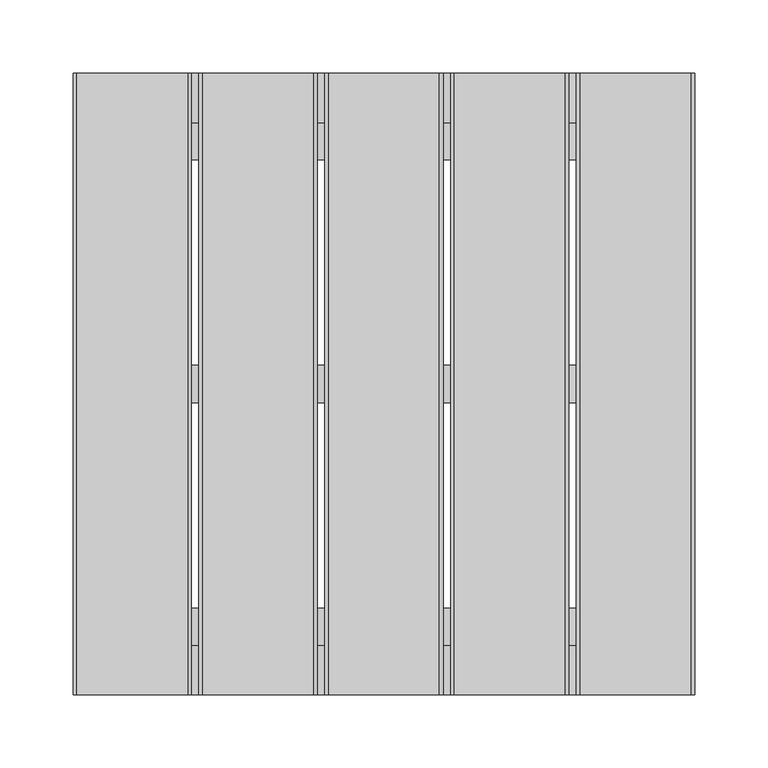
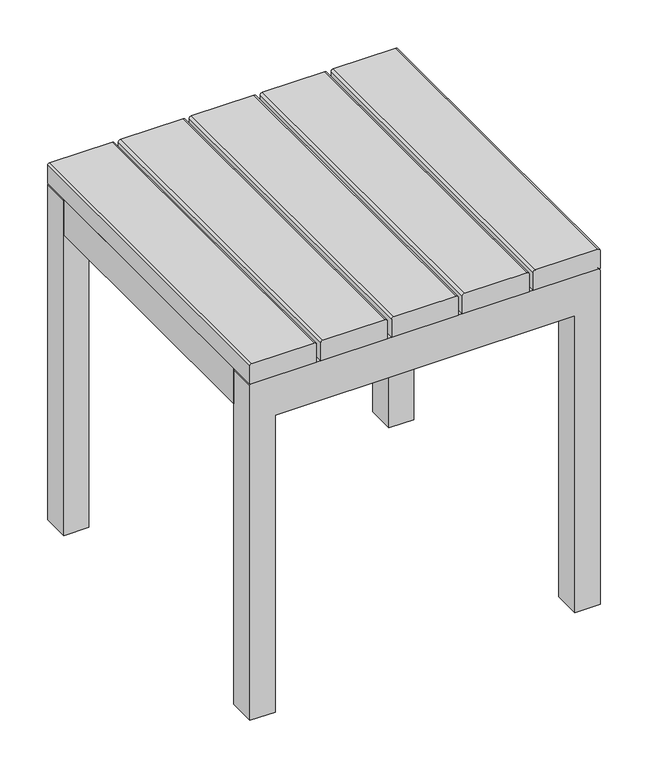
"""IFC4 building model written with IfcOpenShell, lengths in millimetres: furniture geometry."""

import ifcopenshell
import ifcopenshell.guid

model = None  # the IFC model being written
_history = None  # IfcOwnerHistory: only IFC2X3 demands one
_inside = {}  # id of a spatial element -> (the spatial element, [elements in it])
_under = {}  # id of a project, library or spatial element -> (it, [spatial elements below it])
_declared = {}  # id of a project -> (the project, [libraries it declares])
_typed = {}  # id of a type object -> (the type object, [elements of that type])
_made_of = {}  # id of a material, layer set ... -> (it, [elements and type objects made of it])


def new_model(schema):
    """Start an empty IFC model of exactly this schema.

    Asked for "IFC4X3", IfcOpenShell would pick the latest addendum, in which some entities
    have other attributes; the version numbers below select the first issue.
    IFC2X3 requires an IfcOwnerHistory on every rooted entity: one is made here for all.
    """
    global model, _history
    if schema == "IFC4X3":
        model = ifcopenshell.file(schema_version=(4, 3, 0, 0))
    else:
        model = ifcopenshell.file(schema=schema)
    _inside.clear()
    _under.clear()
    _declared.clear()
    _typed.clear()
    _made_of.clear()
    _history = None
    if model.schema == "IFC2X3":
        org = make("IfcOrganization", Name="unknown")
        user = make(
            "IfcPersonAndOrganization",
            ThePerson=make("IfcPerson", FamilyName="unknown"),
            TheOrganization=org,
        )
        app = make(
            "IfcApplication",
            ApplicationDeveloper=org,
            Version="unknown",
            ApplicationFullName="unknown",
            ApplicationIdentifier="unknown",
        )
        _history = make(
            "IfcOwnerHistory",
            OwningUser=user,
            OwningApplication=app,
            ChangeAction="ADDED",
            CreationDate=0,
        )
    return model


def make(cls, **values):
    """One entity of the class cls with the attributes given. An attribute that is None is left unset."""
    return model.create_entity(
        cls, **{name: value for name, value in values.items() if value is not None}
    )


def rooted(cls, **values):
    """An entity with a GlobalId (a new one), such as an element, a storey or a relation."""
    return make(cls, GlobalId=ifcopenshell.guid.new(), OwnerHistory=_history, **values)


def si_unit(unit_type, name, prefix=None):
    """IfcSIUnit, for example si_unit("LENGTHUNIT", "METRE", prefix="MILLI")."""
    return make("IfcSIUnit", UnitType=unit_type, Prefix=prefix, Name=name)


def assignment(units):
    """IfcUnitAssignment: the units of a project."""
    return None if units is None else make("IfcUnitAssignment", Units=units)


def point(xyz):
    """IfcCartesianPoint."""
    return None if xyz is None else make("IfcCartesianPoint", Coordinates=xyz)


def direction(xyz):
    """IfcDirection."""
    return None if xyz is None else make("IfcDirection", DirectionRatios=xyz)


def frame(location, z_axis=None, x_axis=None):
    """IfcAxis2Placement3D, a coordinate frame: its origin and axes. An axis left out is left unset."""
    return make(
        "IfcAxis2Placement3D",
        Location=point(location),
        Axis=direction(z_axis),
        RefDirection=direction(x_axis),
    )


def frame_2d(location, x_axis=None):
    """IfcAxis2Placement2D, a coordinate frame in the plane: its origin and x axis."""
    return make(
        "IfcAxis2Placement2D", Location=point(location), RefDirection=direction(x_axis)
    )


def origin():
    """The frame at (0, 0, 0) with its axes left unset."""
    return frame((0.0, 0.0, 0.0))


def place(relative_to, where):
    """IfcLocalPlacement: puts the frame where relative to a parent placement (None: the world)."""
    return make(
        "IfcLocalPlacement", PlacementRelTo=relative_to, RelativePlacement=where
    )


def context(
    kind, dimensions, precision=None, world=None, true_north=None, identifier=None
):
    """IfcGeometricRepresentationContext, for example the 3D "Model" context."""
    return make(
        "IfcGeometricRepresentationContext",
        ContextIdentifier=identifier,
        ContextType=kind,
        CoordinateSpaceDimension=dimensions,
        Precision=precision,
        WorldCoordinateSystem=world,
        TrueNorth=true_north,
    )


def project(units=None, contexts=None):
    """IfcProject with its units and contexts."""
    return rooted(
        "IfcProject",
        Name="project",
        RepresentationContexts=contexts,
        UnitsInContext=assignment(units),
    )


def spatial(cls, under=None, at=None, **own):
    """A site, building, storey or space (cls), placed at a placement, below another one or the project."""
    s = rooted(cls, ObjectPlacement=at, **own)
    if under is not None:
        _under.setdefault(under.id(), (under, []))[1].append(s)
    return s


def polyline(points):
    """IfcPolyline through the points."""
    return make("IfcPolyline", Points=[point(p) for p in points])


def circle_curve(where, radius):
    """IfcCircle in the frame where."""
    return make("IfcCircle", Position=where, Radius=radius)


def trimmed(basis, trim1, trim2, sense, master):
    """IfcTrimmedCurve: the piece of a basis curve between two trims."""
    return make(
        "IfcTrimmedCurve",
        BasisCurve=basis,
        Trim1=trim1,
        Trim2=trim2,
        SenseAgreement=sense,
        MasterRepresentation=master,
    )


def segment(curve, same_sense, transition):
    """IfcCompositeCurveSegment."""
    return make(
        "IfcCompositeCurveSegment",
        Transition=transition,
        SameSense=same_sense,
        ParentCurve=curve,
    )


def composite_curve(segments, self_intersect=None):
    """IfcCompositeCurve: segments joined end to end."""
    return make("IfcCompositeCurve", Segments=segments, SelfIntersect=self_intersect)


def outline(outer, holes=None, kind="AREA"):
    """IfcArbitraryClosedProfileDef: a profile drawn as a closed curve; with holes, ...WithVoids."""
    if holes is None:
        return make("IfcArbitraryClosedProfileDef", ProfileType=kind, OuterCurve=outer)
    return make(
        "IfcArbitraryProfileDefWithVoids",
        ProfileType=kind,
        OuterCurve=outer,
        InnerCurves=holes,
    )


def extrude(swept, where, along, depth):
    """IfcExtrudedAreaSolid: the profile swept, set in the frame where, extruded along a direction by depth."""
    return make(
        "IfcExtrudedAreaSolid",
        SweptArea=swept,
        Position=where,
        ExtrudedDirection=direction(along),
        Depth=depth,
    )


def shape(context_of_items, identifier, shape_type, items):
    """IfcShapeRepresentation: the items that make up one representation, for example the "Body"."""
    return make(
        "IfcShapeRepresentation",
        ContextOfItems=context_of_items,
        RepresentationIdentifier=identifier,
        RepresentationType=shape_type,
        Items=items,
    )


def source(mapping_origin, context_of_items, identifier, shape_type, items):
    """IfcRepresentationMap: a shape defined once, which mapped items show again and again."""
    return make(
        "IfcRepresentationMap",
        MappingOrigin=mapping_origin,
        MappedRepresentation=shape(context_of_items, identifier, shape_type, items),
    )


def transform(
    local_origin,
    x_axis=None,
    y_axis=None,
    z_axis=None,
    scale=None,
    scale2=None,
    scale3=None,
    uniform=True,
):
    """IfcCartesianTransformationOperator3D, or its non-uniform kind. x_axis, y_axis, z_axis: its Axis1, 2, 3."""
    if uniform:
        return make(
            "IfcCartesianTransformationOperator3D",
            Axis1=direction(x_axis),
            Axis2=direction(y_axis),
            LocalOrigin=point(local_origin),
            Scale=scale,
            Axis3=direction(z_axis),
        )
    return make(
        "IfcCartesianTransformationOperator3DnonUniform",
        Axis1=direction(x_axis),
        Axis2=direction(y_axis),
        LocalOrigin=point(local_origin),
        Scale=scale,
        Axis3=direction(z_axis),
        Scale2=scale2,
        Scale3=scale3,
    )


def mapped(mapping_source, mapping_target):
    """IfcMappedItem: shows the shape of a source again, moved by a transform."""
    return make(
        "IfcMappedItem", MappingSource=mapping_source, MappingTarget=mapping_target
    )


def made_of(thing, what):
    """Note that an element or type object is made of a material, layer set ...; save() writes the relation."""
    if what is not None:
        _made_of.setdefault(what.id(), (what, []))[1].append(thing)
    return thing


def element(
    cls,
    number,
    at=None,
    inside=None,
    cuts=None,
    type_object=None,
    material=None,
    context=None,
    identifier="Body",
    shape_type=None,
    held_by="IfcProductDefinitionShape",
    body=None,
    shapes=None,
    **own,
):
    """One element of the class cls, such as IfcWall. Its Tag is "e" and its number.

    at: its placement. inside: the storey or other place that contains it. cuts: it is an
    opening in that element (IfcRelVoidsElement). A single representation is given by context,
    identifier, shape_type and body (its items); several are given by shapes. held_by: the class
    of the entity that holds the representations. save() writes the other relations.
    """
    e = rooted(cls, Tag="e%d" % number, ObjectPlacement=at, **own)
    if body is not None:
        shapes = [shape(context, identifier, shape_type, body)]
    if shapes is not None:
        e.Representation = make(held_by, Representations=shapes)
    if inside is not None:
        _inside.setdefault(inside.id(), (inside, []))[1].append(e)
    if cuts is not None:
        rooted(
            "IfcRelVoidsElement", RelatingBuildingElement=cuts, RelatedOpeningElement=e
        )
    if type_object is not None:
        _typed.setdefault(type_object.id(), (type_object, []))[1].append(e)
    return made_of(e, material)


def aggregate(whole, parts):
    """IfcRelAggregates: a whole, such as a stair, and the parts it consists of."""
    return rooted("IfcRelAggregates", RelatingObject=whole, RelatedObjects=parts)


def save(model, path):
    """Write the relations noted so far, then the file.

    IfcRelAggregates (storeys below a building ...), IfcRelContainedInSpatialStructure (elements
    in a storey), IfcRelDefinesByType, IfcRelAssociatesMaterial and IfcRelDeclares: one each for
    every whole, place, type object, material and project.
    """
    for whole, parts in _under.values():
        aggregate(whole, parts)
    for where, things in _inside.values():
        rooted(
            "IfcRelContainedInSpatialStructure",
            RelatedElements=things,
            RelatingStructure=where,
        )
    for kind, things in _typed.values():
        rooted("IfcRelDefinesByType", RelatedObjects=things, RelatingType=kind)
    for what, things in _made_of.values():
        rooted("IfcRelAssociatesMaterial", RelatedObjects=things, RelatingMaterial=what)
    for by, libraries in _declared.values():
        rooted("IfcRelDeclares", RelatingContext=by, RelatedDefinitions=libraries)
    model.write(path)


def furniture_0468cb0f(model_context):
    return source(origin(), model_context, "Body", "SweptSolid", [
        extrude(outline(composite_curve([segment(polyline([(0.0, -182.028742), (381.1936292, -182.028742), (381.1936292, 182.028742), (0.0, 182.028742), (0.0, 212.725), (429.2203125, 212.725)]), True, "CONTINUOUS"), segment(trimmed(circle_curve(frame_2d((429.2203125, 210.1453125)), 2.5796875), [point((429.2203125, 212.725))], [point((431.8, 210.1453125))], False, "CARTESIAN"), True, "CONTINUOUS"), segment(polyline([(431.8, 210.1453125), (431.8, -210.1453125)]), True, "CONTINUOUS"), segment(trimmed(circle_curve(frame_2d((429.2203125, -210.1453125)), 2.5796875), [point((431.8, -210.1453125))], [point((429.2203125, -212.725))], False, "CARTESIAN"), True, "CONTINUOUS"), segment(polyline([(429.2203125, -212.725), (0.0, -212.725), (0.0, -182.028742)]), True, "CONTINUOUS")], self_intersect=False)), frame((0.0, 174.8614655, 0.0), z_axis=(0.0, 1.0, 0.0), x_axis=(0.0, 0.0, 1.0)), (0.0, 0.0, 1.0), 33.8335937),
        extrude(outline(composite_curve([segment(polyline([(431.8, -212.725), (431.8, -131.6989925), (454.6138994, -131.6989925)]), True, "CONTINUOUS"), segment(trimmed(circle_curve(frame_2d((454.6138994, -134.2850931)), 2.5861006), [point((454.6138994, -131.6989925))], [point((457.2, -134.2850931))], False, "CARTESIAN"), True, "CONTINUOUS"), segment(polyline([(457.2, -134.2850931), (457.2, -210.1914251)]), True, "CONTINUOUS"), segment(trimmed(circle_curve(frame_2d((454.6664251, -210.1914251)), 2.5335749), [point((457.2, -210.1914251))], [point((454.6664251, -212.725))], False, "CARTESIAN"), True, "CONTINUOUS"), segment(polyline([(454.6664251, -212.725), (431.8, -212.725)]), True, "CONTINUOUS")], self_intersect=False)), frame((0.0, -216.7549408, 0.0), z_axis=(0.0, 1.0, 0.0), x_axis=(0.0, 0.0, 1.0)), (0.0, 0.0, 1.0), 425.45),
        extrude(outline(composite_curve([segment(polyline([(431.8, 212.725), (454.6664251, 212.725)]), True, "CONTINUOUS"), segment(trimmed(circle_curve(frame_2d((454.6664251, 210.1914251)), 2.5335749), [point((454.6664251, 212.725))], [point((457.2, 210.1914251))], False, "CARTESIAN"), True, "CONTINUOUS"), segment(polyline([(457.2, 210.1914251), (457.2, 134.2850931)]), True, "CONTINUOUS"), segment(trimmed(circle_curve(frame_2d((454.6138994, 134.2850931)), 2.5861006), [point((457.2, 134.2850931))], [point((454.6138994, 131.6989925))], False, "CARTESIAN"), True, "CONTINUOUS"), segment(polyline([(454.6138994, 131.6989925), (431.8, 131.6989925), (431.8, 212.725)]), True, "CONTINUOUS")], self_intersect=False)), frame((0.0, -216.7549408, 0.0), z_axis=(0.0, 1.0, 0.0), x_axis=(0.0, 0.0, 1.0)), (0.0, 0.0, 1.0), 425.45),
        extrude(outline(composite_curve([segment(polyline([(431.8, 40.5130038), (454.6664251, 40.5130038)]), True, "CONTINUOUS"), segment(trimmed(circle_curve(frame_2d((454.6664251, 37.9794289)), 2.5335749), [point((454.6664251, 40.5130038))], [point((457.2, 37.9794289))], False, "CARTESIAN"), True, "CONTINUOUS"), segment(polyline([(457.2, 37.9794289), (457.2, -37.9269032)]), True, "CONTINUOUS"), segment(trimmed(circle_curve(frame_2d((454.6138994, -37.9269032)), 2.5861006), [point((457.2, -37.9269032))], [point((454.6138994, -40.5130038))], False, "CARTESIAN"), True, "CONTINUOUS"), segment(polyline([(454.6138994, -40.5130038), (431.8, -40.5130038), (431.8, 40.5130038)]), True, "CONTINUOUS")], self_intersect=False)), frame((0.0, -216.7549408, 0.0), z_axis=(0.0, 1.0, 0.0), x_axis=(0.0, 0.0, 1.0)), (0.0, 0.0, 1.0), 425.45),
        extrude(outline(composite_curve([segment(polyline([(431.8, 126.6190064), (454.6664251, 126.6190064)]), True, "CONTINUOUS"), segment(trimmed(circle_curve(frame_2d((454.6664251, 124.0854315)), 2.5335749), [point((454.6664251, 126.6190064))], [point((457.2, 124.0854315))], False, "CARTESIAN"), True, "CONTINUOUS"), segment(polyline([(457.2, 124.0854315), (457.2, 48.1790995)]), True, "CONTINUOUS"), segment(trimmed(circle_curve(frame_2d((454.6138994, 48.1790995)), 2.5861006), [point((457.2, 48.1790995))], [point((454.6138994, 45.5929989))], False, "CARTESIAN"), True, "CONTINUOUS"), segment(polyline([(454.6138994, 45.5929989), (431.8, 45.5929989), (431.8, 126.6190064)]), True, "CONTINUOUS")], self_intersect=False)), frame((0.0, -216.7549408, 0.0), z_axis=(0.0, 1.0, 0.0), x_axis=(0.0, 0.0, 1.0)), (0.0, 0.0, 1.0), 425.45),
        extrude(outline(composite_curve([segment(polyline([(431.8, -126.6190064), (431.8, -45.5929989), (454.6138994, -45.5929989)]), True, "CONTINUOUS"), segment(trimmed(circle_curve(frame_2d((454.6138994, -48.1790995)), 2.5861006), [point((454.6138994, -45.5929989))], [point((457.2, -48.1790995))], False, "CARTESIAN"), True, "CONTINUOUS"), segment(polyline([(457.2, -48.1790995), (457.2, -124.0854315)]), True, "CONTINUOUS"), segment(trimmed(circle_curve(frame_2d((454.6664251, -124.0854315)), 2.5335749), [point((457.2, -124.0854315))], [point((454.6664251, -126.6190064))], False, "CARTESIAN"), True, "CONTINUOUS"), segment(polyline([(454.6664251, -126.6190064), (431.8, -126.6190064)]), True, "CONTINUOUS")], self_intersect=False)), frame((0.0, -216.7549408, 0.0), z_axis=(0.0, 1.0, 0.0), x_axis=(0.0, 0.0, 1.0)), (0.0, 0.0, 1.0), 425.45),
        extrude(outline(polyline([(161.9249879, -157.521341), (161.9249879, -182.921347), (-161.9249879, -182.921347), (-161.9249879, -157.521341), (161.9249879, -157.521341)])), frame((0.0, 0.0, 406.4), z_axis=(0.0, 0.0, 1.0), x_axis=(1.0, 0.0, 0.0)), (0.0, 0.0, 1.0), 25.4),
        extrude(outline(polyline([(161.9249879, 174.8614655), (161.9249879, 149.4614594), (-161.9249879, 149.4614594), (-161.9249879, 174.8614655), (161.9249879, 174.8614655)])), frame((0.0, 0.0, 406.4), z_axis=(0.0, 0.0, 1.0), x_axis=(1.0, 0.0, 0.0)), (0.0, 0.0, 1.0), 25.4),
        extrude(outline(polyline([(161.9249879, 8.6700622), (161.9249879, -16.7299438), (-161.9249879, -16.7299438), (-161.9249879, 8.6700622), (161.9249879, 8.6700622)])), frame((0.0, 0.0, 406.4), z_axis=(0.0, 0.0, 1.0), x_axis=(1.0, 0.0, 0.0)), (0.0, 0.0, 1.0), 25.4),
        extrude(outline(polyline([(-161.9249879, -182.921347), (-212.725, -182.921347), (-212.725, 174.8614655), (-161.9249879, 174.8614655), (-161.9249879, -182.921347)])), frame((0.0, 0.0, 386.334001), z_axis=(0.0, 0.0, 1.0), x_axis=(1.0, 0.0, 0.0)), (0.0, 0.0, 1.0), 45.465999),
        extrude(outline(polyline([(212.725, -182.921347), (161.9249879, -182.921347), (161.9249879, 174.8614655), (212.725, 174.8614655), (212.725, -182.921347)])), frame((0.0, 0.0, 386.334001), z_axis=(0.0, 0.0, 1.0), x_axis=(1.0, 0.0, 0.0)), (0.0, 0.0, 1.0), 45.465999),
        extrude(outline(composite_curve([segment(polyline([(0.0, -182.028742), (381.1936292, -182.028742), (381.1936292, 182.028742), (0.0, 182.028742), (0.0, 212.725), (429.2203125, 212.725)]), True, "CONTINUOUS"), segment(trimmed(circle_curve(frame_2d((429.2203125, 210.1453125)), 2.5796875), [point((429.2203125, 212.725))], [point((431.8, 210.1453125))], False, "CARTESIAN"), True, "CONTINUOUS"), segment(polyline([(431.8, 210.1453125), (431.8, -210.1453125)]), True, "CONTINUOUS"), segment(trimmed(circle_curve(frame_2d((429.2203125, -210.1453125)), 2.5796875), [point((431.8, -210.1453125))], [point((429.2203125, -212.725))], False, "CARTESIAN"), True, "CONTINUOUS"), segment(polyline([(429.2203125, -212.725), (0.0, -212.725), (0.0, -182.028742)]), True, "CONTINUOUS")], self_intersect=False)), frame((0.0, -216.7549408, 0.0), z_axis=(0.0, 1.0, 0.0), x_axis=(0.0, 0.0, 1.0)), (0.0, 0.0, 1.0), 33.8335937),
    ])


if __name__ == "__main__":
    model = new_model("IFC4")
    model_context = context("Model", 3, world=origin())
    ifc_project = project(units=[si_unit("LENGTHUNIT", "METRE", prefix="MILLI")], contexts=[model_context])
    site = spatial("IfcSite", under=ifc_project)
    building = spatial("IfcBuilding", under=site)
    placement = place(None, origin())
    furniture_shape = furniture_0468cb0f(model_context)
    element("IfcFurniture", 1, at=placement, inside=building, context=model_context, shape_type="MappedRepresentation", body=[
        mapped(furniture_shape, transform((0.0, 0.0, 0.0), x_axis=(1.0, 0.0, 0.0), y_axis=(0.0, 1.0, 0.0), z_axis=(0.0, 0.0, 1.0))),
    ])
    save(model, "model.ifc")
